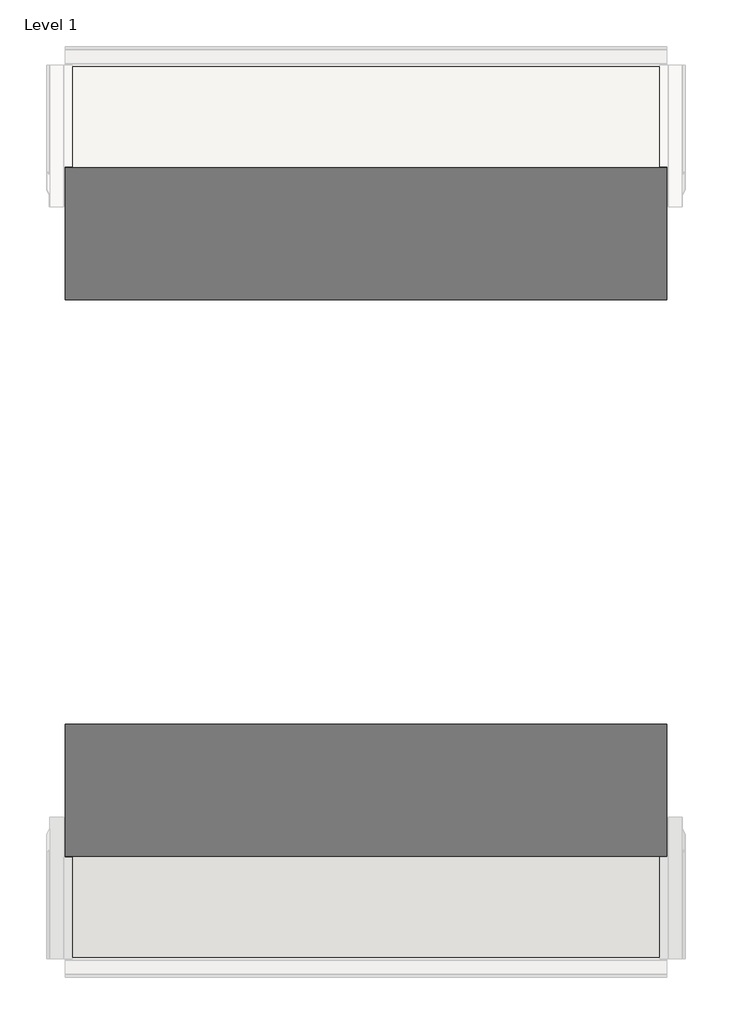
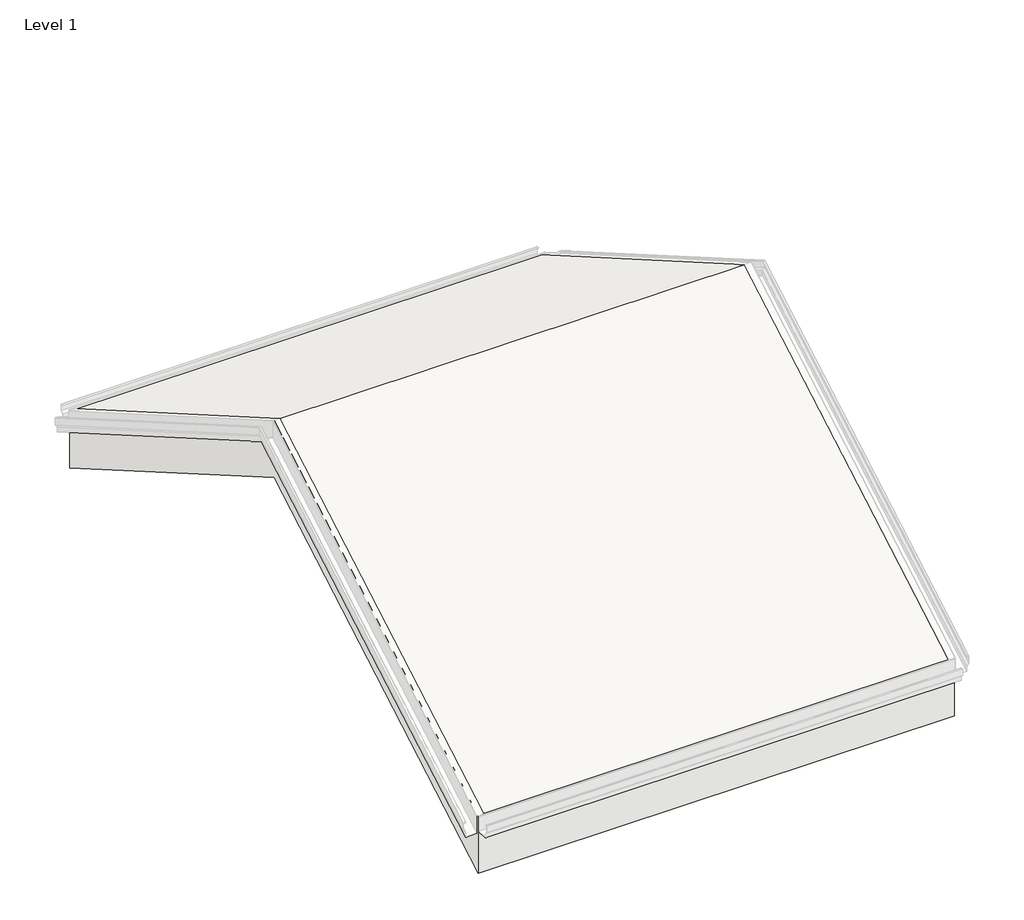
# One storey, part 12 of 16: 1 roof.
"""IFC4 building model written with IfcOpenShell, lengths in millimetres."""

from ifc_helpers import new_model, si_unit, frame, origin, place, context, project, spatial, polyline, outline, extrude, element, save

model = new_model("IFC4")

# Units and contexts
model_context = context("Model", 3, world=origin())
ifc_project = project(units=[si_unit("LENGTHUNIT", "METRE", prefix="MILLI")], contexts=[model_context])

# Site, building, storey
site = spatial("IfcSite", under=ifc_project)
building = spatial("IfcBuilding", under=site)
storey = spatial("IfcBuildingStorey", under=building, Name="Level 1", Elevation=0.0)

# Roof
placement = place(None, origin())
element("IfcRoof", 1, at=placement, inside=storey, context=model_context, shape_type="SweptSolid", body=[
    extrude(outline(polyline([(11282.5320962, 674.5760545), (15244.9320962, 2962.2687612), (19207.3320962, 674.5760545), (19207.3320962, 0.0), (15244.9320962, 2287.6927066), (11282.5320962, 0.0), (11282.5320962, 674.5760545)])), frame((-24631.4498439, 0.0, 0.0), z_axis=(1.0, 0.0, 0.0), x_axis=(0.0, 1.0, 0.0)), (0.0, 0.0, 1.0), 5334.0),
])

save(model, "model.ifc")
